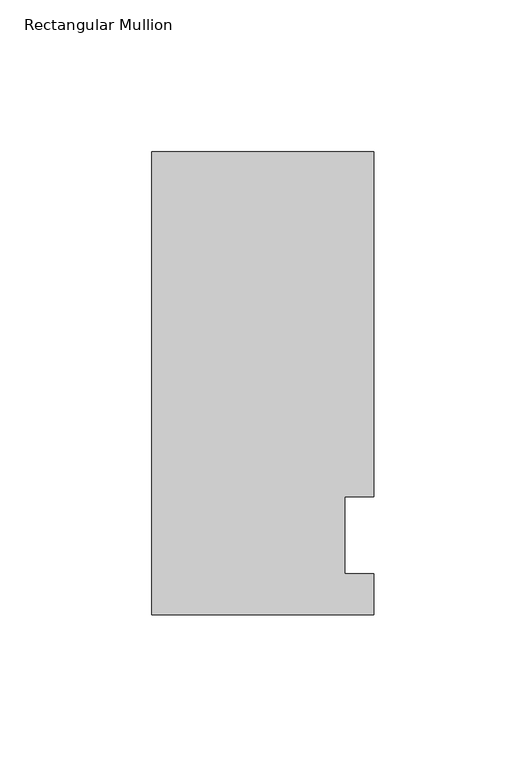
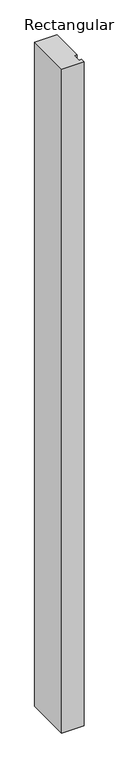
"""IFC4 building model written with IfcOpenShell, lengths in millimetres: member geometry, Rectangular Mullion."""

from ifc_helpers import new_model, si_unit, frame, origin, place, context, project, spatial, polyline, outline, extrude, source, transform, mapped, element, save


def rectangular_mullion_4eb61d20(model_context):
    return source(origin(), model_context, "Body", "SweptSolid", [
        extrude(outline(polyline([(-36.5125, -26.19375), (-36.5125, 126.20625), (36.5125, 126.20625), (36.5125, 12.7), (26.9875, 12.7), (26.9875, -12.7), (36.5125, -12.7), (36.5125, -26.19375), (-36.5125, -26.19375)])), frame((0.0, 0.0, -2286.0), z_axis=(0.0, 0.0, 1.0), x_axis=(1.0, 0.0, 0.0)), (0.0, 0.0, 1.0), 2286.0),
    ])


if __name__ == "__main__":
    model = new_model("IFC4")
    model_context = context("Model", 3, world=origin())
    ifc_project = project(units=[si_unit("LENGTHUNIT", "METRE", prefix="MILLI")], contexts=[model_context])
    site = spatial("IfcSite", under=ifc_project)
    building = spatial("IfcBuilding", under=site)
    placement = place(None, origin())
    rectangular_mullion_shape = rectangular_mullion_4eb61d20(model_context)
    element("IfcMember", 1, ObjectType="Rectangular Mullion", at=placement, inside=building, context=model_context, shape_type="MappedRepresentation", body=[
        mapped(rectangular_mullion_shape, transform((0.0, 0.0, 0.0), x_axis=(1.0, 0.0, 0.0), y_axis=(0.0, 1.0, 0.0), z_axis=(0.0, 0.0, 1.0))),
    ])
    save(model, "model.ifc")
